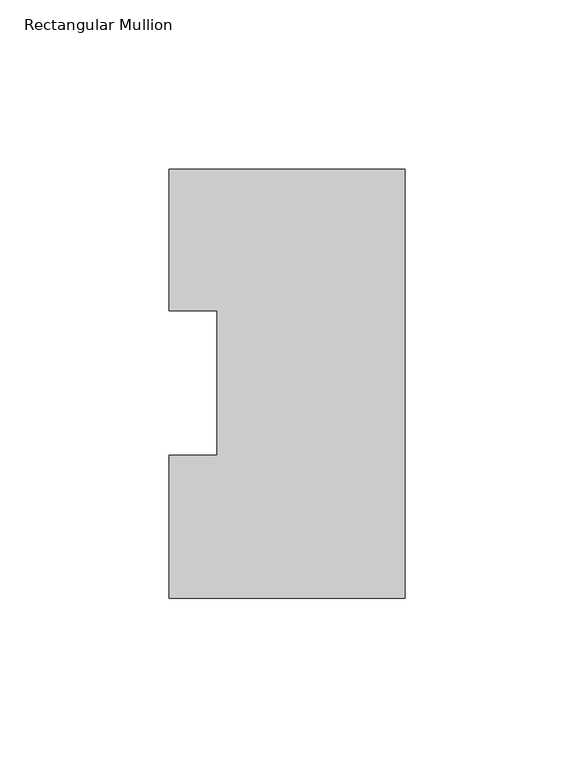
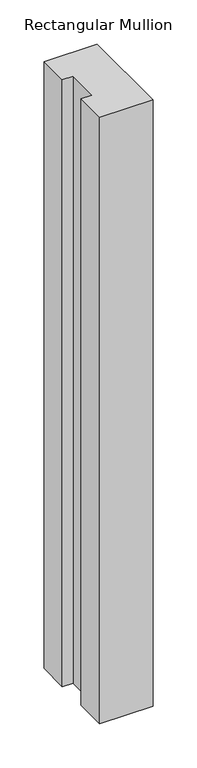
"""IFC4 building model written with IfcOpenShell, lengths in millimetres: member geometry, Rectangular Mullion."""

from ifc_helpers import new_model, si_unit, frame, origin, place, context, project, spatial, polyline, outline, extrude, source, transform, mapped, element, save


def rectangular_mullion_d354d138(model_context):
    return source(origin(), model_context, "Body", "SweptSolid", [
        extrude(outline(polyline([(-69.85, 126.79045), (0.0, 126.79045), (0.0, -0.20955), (-69.85, -0.20955), (-69.85, 42.08145), (-55.5625, 42.08145), (-55.5625, 84.93125), (-69.85, 84.93125), (-69.85, 126.79045)])), frame((0.0, 0.0, -841.375), z_axis=(0.0, 0.0, 1.0), x_axis=(1.0, 0.0, 0.0)), (0.0, 0.0, 1.0), 841.375),
    ])


if __name__ == "__main__":
    model = new_model("IFC4")
    model_context = context("Model", 3, world=origin())
    ifc_project = project(units=[si_unit("LENGTHUNIT", "METRE", prefix="MILLI")], contexts=[model_context])
    site = spatial("IfcSite", under=ifc_project)
    building = spatial("IfcBuilding", under=site)
    placement = place(None, origin())
    rectangular_mullion_shape = rectangular_mullion_d354d138(model_context)
    element("IfcMember", 1, ObjectType="Rectangular Mullion", at=placement, inside=building, context=model_context, shape_type="MappedRepresentation", body=[
        mapped(rectangular_mullion_shape, transform((0.0, 0.0, 0.0), x_axis=(1.0, 0.0, 0.0), y_axis=(0.0, 1.0, 0.0), z_axis=(0.0, 0.0, 1.0))),
    ])
    save(model, "model.ifc")
